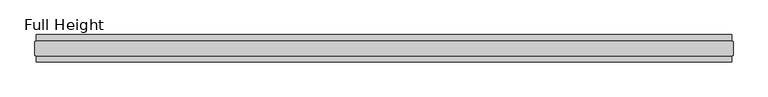
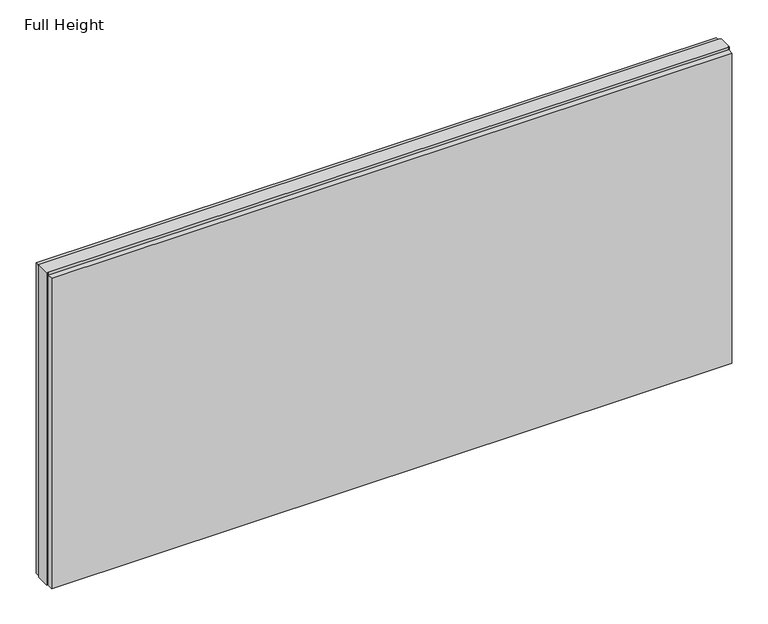
"""IFC4 building model written with IfcOpenShell, lengths in millimetres: plate geometry, Full Height."""

from ifc_helpers import new_model, si_unit, origin, origin_with_axes, place, context, project, spatial, polyline, outline, extrude, source, transform, mapped, element, save


def full_height_31ad7aaa(model_context):
    return source(origin(), model_context, "Body", "SweptSolid", [
        extrude(outline(polyline([(1254.3167157, 28.956), (-1254.3167157, 28.956), (-1254.3167157, 49.53), (1254.3167157, 49.53), (1254.3167157, 28.956)])), origin_with_axes(), (0.0, 0.0, 1.0), 1210.056),
        extrude(outline(polyline([(1254.3167157, -28.956), (1254.3167157, -49.53), (-1254.3167157, -49.53), (-1254.3167157, -28.956), (1254.3167157, -28.956)])), origin_with_axes(), (0.0, 0.0, 1.0), 1210.056),
        extrude(outline(polyline([(1254.3167157, -25.146), (1254.3167157, -26.67), (-1254.3167157, -26.67), (-1254.3167157, -25.146), (-1258.8887157, -25.146), (-1258.8887157, 25.146), (-1254.3167157, 25.146), (-1254.3167157, 26.67), (1254.3167157, 26.67), (1254.3167157, 25.146), (1258.8887157, 25.146), (1258.8887157, -25.146), (1254.3167157, -25.146)])), origin_with_axes(), (0.0, 0.0, 1.0), 1219.2),
    ])


if __name__ == "__main__":
    model = new_model("IFC4")
    model_context = context("Model", 3, world=origin())
    ifc_project = project(units=[si_unit("LENGTHUNIT", "METRE", prefix="MILLI")], contexts=[model_context])
    site = spatial("IfcSite", under=ifc_project)
    building = spatial("IfcBuilding", under=site)
    placement = place(None, origin())
    full_height_shape = full_height_31ad7aaa(model_context)
    element("IfcPlate", 1, ObjectType="Full Height", at=placement, inside=building, context=model_context, shape_type="MappedRepresentation", body=[
        mapped(full_height_shape, transform((0.0, 0.0, 0.0), x_axis=(1.0, 0.0, 0.0), y_axis=(0.0, 1.0, 0.0), z_axis=(0.0, 0.0, 1.0))),
    ])
    save(model, "model.ifc")
